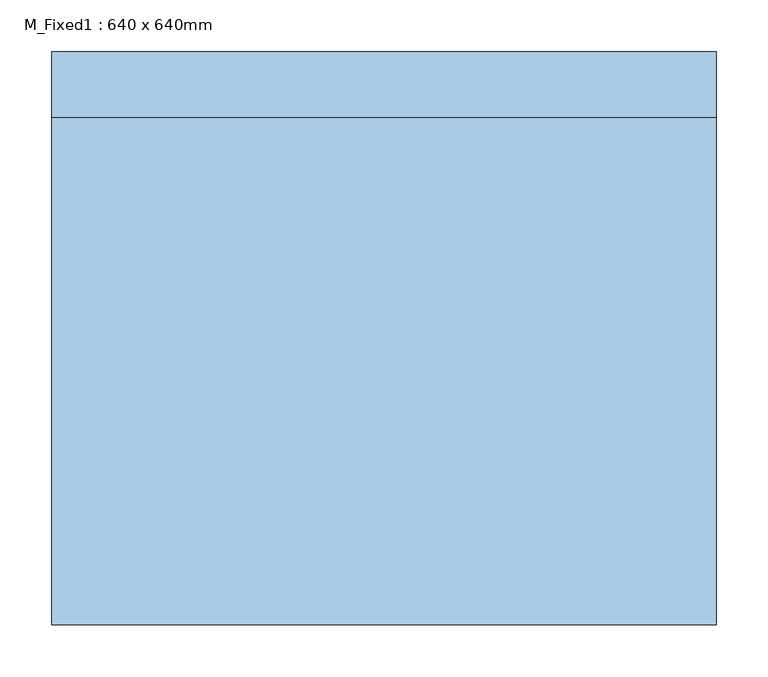
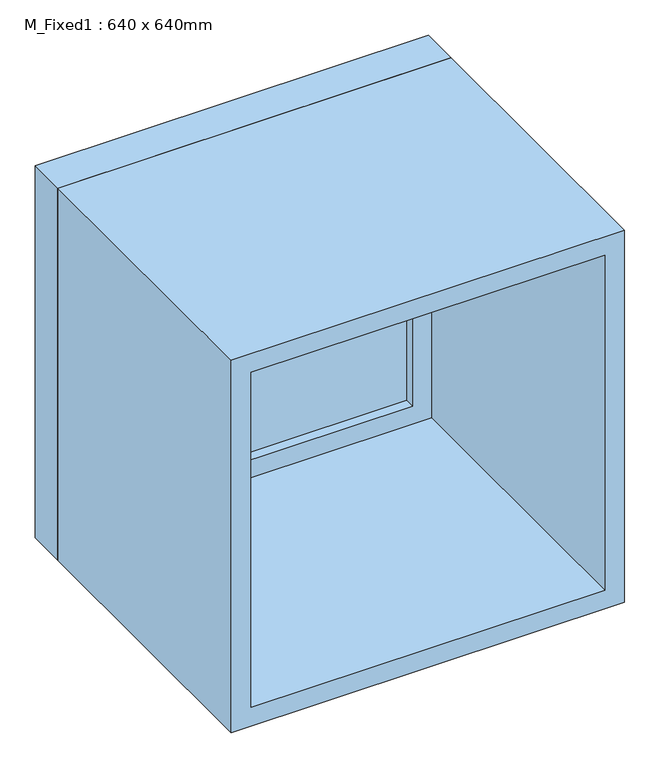
"""IFC4 building model written with IfcOpenShell, lengths in millimetres: window geometry, M_Fixed1 : 640 x 640mm."""

from ifc_helpers import new_model, si_unit, frame, origin, place, context, project, spatial, polyline, outline, extrude, source, transform, mapped, element, save


def m_fixed1_640_x_640mm_0a9c5c5f(model_context):
    return source(origin(), model_context, "Body", "SweptSolid", [
        extrude(outline(polyline([(-257.0, 253.8824049), (257.0, 253.8824049), (257.0, 241.8824049), (-257.0, 241.8824049), (-257.0, 253.8824049)])), frame((0.0, 0.0, 978.0), z_axis=(0.0, 0.0, 1.0), x_axis=(1.0, 0.0, 0.0)), (0.0, 0.0, 1.0), 514.0),
        extrude(outline(polyline([(1536.0, -301.0), (934.0, -301.0), (934.0, 301.0), (1536.0, 301.0), (1536.0, -301.0)]), holes=[polyline([(1492.0, -257.0), (1492.0, 257.0), (978.0, 257.0), (978.0, -257.0), (1492.0, -257.0)])]), frame((0.0, 225.8824049, 0.0), z_axis=(0.0, 1.0, 0.0), x_axis=(0.0, 0.0, 1.0)), (0.0, 0.0, 1.0), 44.0),
        extrude(outline(polyline([(1555.0, -320.0), (915.0, -320.0), (915.0, 320.0), (1555.0, 320.0), (1555.0, -320.0)]), holes=[polyline([(1536.0, -301.0), (1536.0, 301.0), (934.0, 301.0), (934.0, -301.0), (1536.0, -301.0)])]), frame((0.0, 225.8824049, 0.0), z_axis=(0.0, 1.0, 0.0), x_axis=(0.0, 0.0, 1.0)), (0.0, 0.0, 1.0), 63.0),
        extrude(outline(polyline([(1555.0, -320.0), (915.0, -320.0), (915.0, 320.0), (1555.0, 320.0), (1555.0, -320.0)]), holes=[polyline([(1523.0, -288.0), (1523.0, 288.0), (947.0, 288.0), (947.0, -288.0), (1523.0, -288.0)])]), frame((0.0, -262.8824049, 0.0), z_axis=(0.0, 1.0, 0.0), x_axis=(0.0, 0.0, 1.0)), (0.0, 0.0, 1.0), 488.7648098),
    ])


if __name__ == "__main__":
    model = new_model("IFC4")
    model_context = context("Model", 3, world=origin())
    ifc_project = project(units=[si_unit("LENGTHUNIT", "METRE", prefix="MILLI")], contexts=[model_context])
    site = spatial("IfcSite", under=ifc_project)
    building = spatial("IfcBuilding", under=site)
    placement = place(None, origin())
    m_fixed1_640_x_640mm_shape = m_fixed1_640_x_640mm_0a9c5c5f(model_context)
    element("IfcWindow", 1, ObjectType="M_Fixed1 : 640 x 640mm", at=placement, inside=building, context=model_context, shape_type="MappedRepresentation", body=[
        mapped(m_fixed1_640_x_640mm_shape, transform((0.0, 0.0, 0.0), x_axis=(1.0, 0.0, 0.0), y_axis=(0.0, 1.0, 0.0), z_axis=(0.0, 0.0, 1.0))),
    ])
    save(model, "model.ifc")
